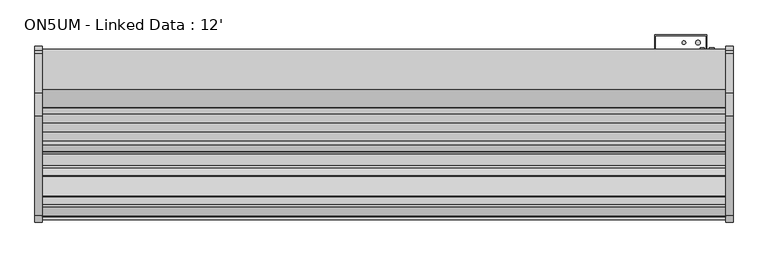
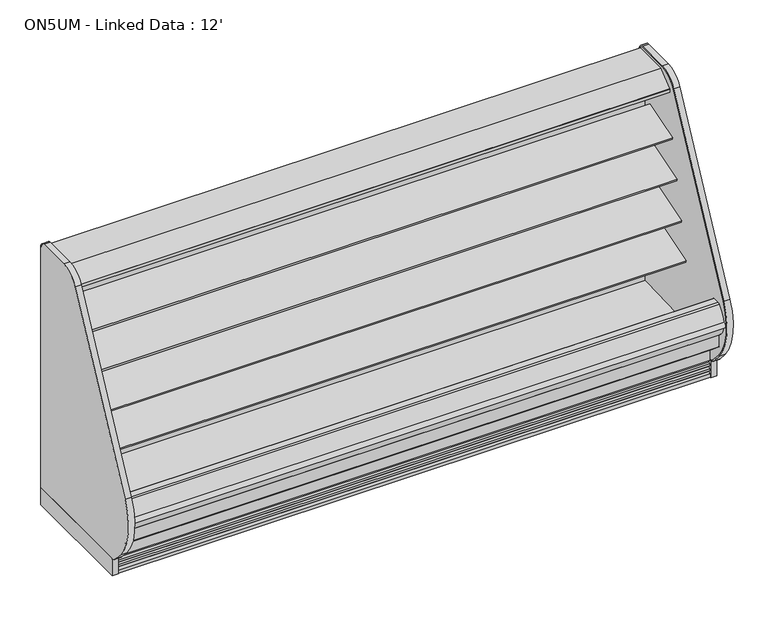
"""IFC4 building model written with IfcOpenShell, lengths in millimetres: proxy geometry, ON5UM - Linked Data : 12'."""

from ifc_helpers import new_model, si_unit, point, frame, frame_2d, origin, origin_with_axes, place, context, project, spatial, polyline, circle_curve, trimmed, segment, composite_curve, outline, extrude, source, transform, mapped, element, save
from ifc_brep_helpers import plane_surface, cylinder_surface, revolved_surface, advanced_brep


def on5um_linked_data_12_cfcded39(model_context):
    return source(origin(), model_context, "Body", "SolidModel", [
        extrude(outline(composite_curve([segment(polyline([(-386.2893812, 1680.5112406), (-386.2893812, 114.3), (-1152.4160029, 114.3), (-1152.4160029, 109.4814209)]), True, "CONTINUOUS"), segment(trimmed(circle_curve(frame_2d((-1137.0030162, 174.3506772)), 66.6751871), [point((-1152.4160029, 109.4814209))], [point((-1188.0213353, 131.4238594))], False, "CARTESIAN"), True, "CONTINUOUS"), segment(polyline([(-1188.0213353, 131.4238594), (-1241.1522033, 191.7701108)]), True, "CONTINUOUS"), segment(trimmed(circle_curve(frame_2d((-969.519668, 423.7103658)), 357.1841488), [point((-1241.1522033, 191.7701108))], [point((-1289.7288766, 581.9714755))], False, "CARTESIAN"), True, "CONTINUOUS"), segment(trimmed(circle_curve(frame_2d((9141.921087, -3966.5313645)), 11380.1669166), [point((-1289.7288766, 581.9714755))], [point((-757.6298618, 1646.586313))], False, "CARTESIAN"), True, "CONTINUOUS"), segment(trimmed(circle_curve(frame_2d((-626.9237334, 1572.4749838)), 150.2550535), [point((-757.6298618, 1646.586313))], [point((-633.7326134, 1722.5756842))], False, "CARTESIAN"), True, "CONTINUOUS"), segment(polyline([(-633.7326134, 1722.5756842), (-424.7661122, 1722.5756842)]), True, "CONTINUOUS"), segment(trimmed(circle_curve(frame_2d((-424.7661122, 1689.095884)), 33.4798002), [point((-424.7661122, 1722.5756842))], [point((-408.2318186, 1718.2079804))], False, "CARTESIAN"), True, "CONTINUOUS"), segment(trimmed(circle_curve(frame_2d((-429.6417835, 1680.5112406)), 43.3524023), [point((-408.2318186, 1718.2079804))], [point((-386.2893812, 1680.5112406))], False, "CARTESIAN"), True, "CONTINUOUS")], self_intersect=False)), frame((-38.1, 0.0, 0.0), z_axis=(1.0, 0.0, 0.0), x_axis=(0.0, 1.0, 0.0)), (0.0, 0.0, 1.0), 38.1),
        advanced_brep(
        [(-38.1, -1238.2478592, 197.2583924), (-38.1, -1170.0712436, 125.1554313), (-38.1, -1152.4994478, 116.8957338), (-38.1, -1152.4994478, 109.4924604), (-38.1, -1188.0465066, 131.4150415), (-38.1, -1241.1522033, 191.7701108), (-38.1, -1289.7288766, 581.9714755), (-38.1, -757.6298618, 1646.586313), (-38.1, -633.7326134, 1722.5756842), (-38.1, -424.7661122, 1722.5756842), (-38.1, -408.2318186, 1718.2079804), (-38.1, -386.2893812, 1680.5112406), (-38.1, -386.2893812, 114.3), (-38.1, -392.6393812, 114.3), (-38.1, -392.6393812, 1680.5112406), (-38.1, -411.3678219, 1712.6863879), (-38.1, -424.7661122, 1716.2256842), (-38.1, -633.5871081, 1716.2256842), (-38.1, -752.1060282, 1643.454259), (-38.1, -1283.943801, 579.3516742), (0.0, -1238.2478594, 197.2583922), (0.0, -1283.943801, 579.3516742), (0.0, -752.1060287, 1643.4542593), (0.0, -633.5871081, 1716.2256842), (0.0, -424.7661122, 1716.2256842), (0.0, -411.3678219, 1712.6863879), (0.0, -392.6393812, 1680.5112406), (0.0, -392.6393812, 114.3), (0.0, -386.2893812, 114.3), (0.0, -386.2893812, 1680.5112406), (0.0, -408.2318186, 1718.2079804), (0.0, -424.7661122, 1722.5756842), (0.0, -633.7326134, 1722.5756842), (0.0, -757.6298618, 1646.586313), (0.0, -1289.7288766, 581.9714755), (0.0, -1241.1522033, 191.7701108), (0.0, -1188.0465066, 131.4150415), (0.0, -1152.4994478, 109.4924604), (0.0, -1152.4994478, 116.8957338), (0.0, -1170.0712436, 125.1554313)],
        [
            (0, 1, circle_curve(frame((-38.1, -594.5520699, 737.618397), z_axis=(1.0, 0.0, 0.0), x_axis=(0.0, 1.0, 0.0)), 840.4363174)),
            (1, 2, circle_curve(frame((-38.1, -1137.362761, 171.9188236), z_axis=(1.0, 0.0, 0.0), x_axis=(0.0, 1.0, 0.0)), 57.0671508)),
            (2, 3),
            (3, 4, circle_curve(frame((-38.1, -1137.0350365, 174.3484557), z_axis=(-1.0, 0.0, 0.0), x_axis=(0.0, 1.0, 0.0)), 66.674194)),
            (4, 5),
            (5, 6, circle_curve(frame((-38.1, -969.519668, 423.7103658), z_axis=(-1.0, 0.0, 0.0), x_axis=(0.0, 1.0, 0.0)), 357.1841488)),
            (6, 7, circle_curve(frame((-38.1, 9141.921087, -3966.5313645), z_axis=(-1.0, 0.0, 0.0), x_axis=(0.0, 1.0, 0.0)), 11380.1669166)),
            (7, 8, circle_curve(frame((-38.1, -626.9237334, 1572.4749838), z_axis=(-1.0, 0.0, 0.0), x_axis=(0.0, 1.0, 0.0)), 150.2550535)),
            (8, 9),
            (9, 10, circle_curve(frame((-38.1, -424.7661122, 1689.095884), z_axis=(-1.0, 0.0, 0.0), x_axis=(0.0, 1.0, 0.0)), 33.4798002)),
            (10, 11, circle_curve(frame((-38.1, -429.6417835, 1680.5112406), z_axis=(-1.0, 0.0, 0.0), x_axis=(0.0, 1.0, 0.0)), 43.3524023)),
            (11, 12),
            (12, 13),
            (13, 14),
            (14, 15, circle_curve(frame((-38.1, -429.6417835, 1680.5112406), z_axis=(1.0, 0.0, 0.0), x_axis=(0.0, 1.0, 0.0)), 37.0024023)),
            (15, 16, circle_curve(frame((-38.1, -424.7661122, 1689.095884), z_axis=(1.0, 0.0, 0.0), x_axis=(0.0, 1.0, 0.0)), 27.1298002)),
            (16, 17),
            (17, 18, circle_curve(frame((-38.1, -626.9237334, 1572.4749838), z_axis=(1.0, 0.0, 0.0), x_axis=(0.0, 1.0, 0.0)), 143.9050535)),
            (18, 19, circle_curve(frame((-38.1, 9141.921087, -3966.5313645), z_axis=(1.0, 0.0, 0.0), x_axis=(0.0, 1.0, 0.0)), 11373.8169172)),
            (19, 0, circle_curve(frame((-38.1, -969.0620447, 423.2304283), z_axis=(1.0, 0.0, 0.0), x_axis=(0.0, 1.0, 0.0)), 351.4603305)),
            (20, 21, circle_curve(frame((0.0, -969.0620447, 423.2304283), z_axis=(-1.0, 0.0, 0.0), x_axis=(0.0, 1.0, 0.0)), 351.4603305)),
            (21, 22, circle_curve(frame((0.0, 9141.921087, -3966.5313645), z_axis=(-1.0, 0.0, 0.0), x_axis=(0.0, 1.0, 0.0)), 11373.8169172)),
            (22, 23, circle_curve(frame((0.0, -626.9237334, 1572.4749838), z_axis=(-1.0, 0.0, 0.0), x_axis=(0.0, 1.0, 0.0)), 143.9050535)),
            (23, 24),
            (24, 25, circle_curve(frame((0.0, -424.7661122, 1689.095884), z_axis=(-1.0, 0.0, 0.0), x_axis=(0.0, 1.0, 0.0)), 27.1298002)),
            (25, 26, circle_curve(frame((0.0, -429.6417835, 1680.5112406), z_axis=(-1.0, 0.0, 0.0), x_axis=(0.0, 1.0, 0.0)), 37.0024023)),
            (26, 27),
            (27, 28),
            (28, 29),
            (29, 30, circle_curve(frame((0.0, -429.6417835, 1680.5112406), z_axis=(1.0, 0.0, 0.0), x_axis=(0.0, 1.0, 0.0)), 43.3524023)),
            (30, 31, circle_curve(frame((0.0, -424.7661122, 1689.095884), z_axis=(1.0, 0.0, 0.0), x_axis=(0.0, 1.0, 0.0)), 33.4798002)),
            (31, 32),
            (32, 33, circle_curve(frame((0.0, -626.9237334, 1572.4749838), z_axis=(1.0, 0.0, 0.0), x_axis=(0.0, 1.0, 0.0)), 150.2550535)),
            (33, 34, circle_curve(frame((0.0, 9141.921087, -3966.5313645), z_axis=(1.0, 0.0, 0.0), x_axis=(0.0, 1.0, 0.0)), 11380.1669166)),
            (34, 35, circle_curve(frame((0.0, -969.519668, 423.7103658), z_axis=(1.0, 0.0, 0.0), x_axis=(0.0, 1.0, 0.0)), 357.1841488)),
            (35, 36),
            (36, 37, circle_curve(frame((0.0, -1137.0350365, 174.3484557), z_axis=(1.0, 0.0, 0.0), x_axis=(0.0, 1.0, 0.0)), 66.674194)),
            (37, 38),
            (38, 39, circle_curve(frame((0.0, -1137.362761, 171.9188236), z_axis=(-1.0, 0.0, 0.0), x_axis=(0.0, 1.0, 0.0)), 57.0671508)),
            (39, 20, circle_curve(frame((0.0, -594.5520699, 737.618397), z_axis=(-1.0, 0.0, 0.0), x_axis=(0.0, 1.0, 0.0)), 840.4363174)),
            (20, 0),
            (19, 21),
            (18, 22),
            (17, 23),
            (16, 24),
            (25, 15),
            (14, 26),
            (13, 27),
            (12, 28),
            (11, 29),
            (10, 30),
            (31, 9),
            (8, 32),
            (7, 33),
            (6, 34),
            (5, 35),
            (4, 36),
            (3, 37),
            (2, 38),
            (1, 39),
        ],
        [
            plane_surface(frame((-38.1, -617.6017141, 423.2304283), z_axis=(-1.0, 0.0, 0.0), x_axis=(0.0, 0.0, 1.0))),
            plane_surface(frame((0.0, -617.6017141, 423.2304283), z_axis=(1.0, 0.0, 0.0), x_axis=(0.0, 0.0, -1.0))),
            revolved_surface(polyline([(-38.1, -617.6017142000001, 423.2304283), (0.0, -617.6017142000001, 423.2304283)]), (-38.1, -969.0620447, 423.2304283), (-1.0, 0.0, 0.0)),
            revolved_surface(polyline([(-38.1, 20515.7380042, -3966.5313645), (0.0, 20515.7380042, -3966.5313645)]), (-38.1, 9141.921087, -3966.5313645), (-1.0, 0.0, 0.0)),
            revolved_surface(polyline([(-38.1, -483.01867989999994, 1572.4749838), (0.0, -483.01867989999994, 1572.4749838)]), (-38.1, -626.9237334, 1572.4749838), (-1.0, 0.0, 0.0)),
            plane_surface(frame((0.0, -633.5871081, 1716.2256842), z_axis=(0.0, 0.0, -1.0), x_axis=(-1.0, 0.0, 0.0))),
            revolved_surface(polyline([(-38.1, -392.6393812, 1680.5112406), (0.0, -392.6393812, 1680.5112406)]), (-38.1, -429.6417835, 1680.5112406), (-1.0, 0.0, 0.0)),
            plane_surface(frame((0.0, -392.6393812, 1680.5112406), z_axis=(0.0, -1.0, 0.0), x_axis=(-1.0, 0.0, 0.0))),
            plane_surface(frame((0.0, -392.6393812, 114.3), z_axis=(0.0, 0.0, -1.0), x_axis=(-1.0, 0.0, 0.0))),
            plane_surface(frame((0.0, -386.2893812, 114.3), z_axis=(0.0, 1.0, 0.0), x_axis=(-1.0, 0.0, 0.0))),
            cylinder_surface(frame((-38.1, -429.6417835, 1680.5112406), z_axis=(1.0, 0.0, 0.0), x_axis=(0.0, 1.0, 0.0)), 43.3524023),
            plane_surface(frame((0.0, -424.7661122, 1722.5756842), z_axis=(0.0, 0.0, 1.0), x_axis=(-1.0, 0.0, 0.0))),
            cylinder_surface(frame((-38.1, -626.9237334, 1572.4749838), z_axis=(1.0, 0.0, 0.0), x_axis=(0.0, 1.0, 0.0)), 150.2550535),
            cylinder_surface(frame((-38.1, 9141.921087, -3966.5313645), z_axis=(1.0, 0.0, 0.0), x_axis=(0.0, 1.0, 0.0)), 11380.1669166),
            cylinder_surface(frame((-38.1, -969.519668, 423.7103658), z_axis=(1.0, 0.0, 0.0), x_axis=(0.0, 1.0, 0.0)), 357.1841488),
            plane_surface(frame((0.0, -1241.1522033, 191.7701108), z_axis=(0.0, -0.7507552443600822, -0.6605804743298377), x_axis=(-1.0, 0.0, 0.0))),
            cylinder_surface(frame((-38.1, -1137.0350365, 174.3484557), z_axis=(1.0, 0.0, 0.0), x_axis=(0.0, 1.0, 0.0)), 66.674194),
            plane_surface(frame((0.0, -1152.4994478, 109.4924604), z_axis=(0.0, 1.0, 0.0), x_axis=(-1.0, 0.0, 0.0))),
            revolved_surface(polyline([(-38.1, -1080.2956102, 171.9188236), (0.0, -1080.2956102, 171.9188236)]), (-38.1, -1137.362761, 171.9188236), (-1.0, 0.0, 0.0)),
            revolved_surface(polyline([(-38.1, 245.88424750000001, 737.618397), (0.0, 245.88424750000001, 737.618397)]), (-38.1, -594.5520699, 737.618397), (-1.0, 0.0, 0.0)),
            revolved_surface(polyline([(-38.1, -397.63631200000003, 1689.095884), (0.0, -397.63631200000003, 1689.095884)]), (-38.1, -424.7661122, 1689.095884), (-1.0, 0.0, 0.0)),
            cylinder_surface(frame((-38.1, -424.7661122, 1689.095884), z_axis=(1.0, 0.0, 0.0), x_axis=(0.0, 1.0, 0.0)), 33.4798002),
        ],
        [
            (0, [[1, 2, 3, 4, 5, 6, 7, 8, 9, 10, 11, 12, 13, 14, 15, 16, 17, 18, 19, 20]]),
            (1, [[21, 22, 23, 24, 25, 26, 27, 28, 29, 30, 31, 32, 33, 34, 35, 36, 37, 38, 39, 40]]),
            (2, [[-21, 41, -20, 42]]),
            (3, [[-22, -42, -19, 43]]),
            (4, [[-23, -43, -18, 44]]),
            (5, [[-24, -44, -17, 45]]),
            (6, [[-26, 46, -15, 47]]),
            (7, [[-27, -47, -14, 48]]),
            (8, [[-28, -48, -13, 49]]),
            (9, [[-29, -49, -12, 50]]),
            (10, [[-30, -50, -11, 51]]),
            (11, [[-32, 52, -9, 53]]),
            (12, [[-33, -53, -8, 54]]),
            (13, [[-34, -54, -7, 55]]),
            (14, [[-35, -55, -6, 56]]),
            (15, [[-36, -56, -5, 57]]),
            (16, [[-37, -57, -4, 58]]),
            (17, [[-38, -58, -3, 59]]),
            (18, [[-39, -59, -2, 60]]),
            (19, [[-40, -60, -1, -41]]),
            (20, [[-25, -45, -16, -46]]),
            (21, [[-31, -51, -10, -52]]),
        ],
    ),
        advanced_brep(
        [(3657.6, -392.6393812, 114.3), (3657.6, -392.6393812, 1680.5112406), (3657.6, -411.3678219, 1712.6863879), (3657.6, -424.7661122, 1716.2256842), (3657.6, -633.5871081, 1716.2256842), (3657.6, -752.1060282, 1643.454259), (3657.6, -1283.943801, 579.3516742), (3657.6, -1238.2478594, 197.2583922), (3657.6, -1170.0712436, 125.1554313), (3657.6, -1152.4994478, 116.8957338), (3657.6, -1152.4994478, 109.4924604), (3657.6, -1188.0465066, 131.4150415), (3657.6, -1241.1522033, 191.7701108), (3657.6, -1289.7288766, 581.9714755), (3657.6, -757.6298618, 1646.586313), (3657.6, -633.7326134, 1722.5756842), (3657.6, -424.7661122, 1722.5756842), (3657.6, -408.2318186, 1718.2079804), (3657.6, -386.2893812, 1680.5112406), (3657.6, -386.2893812, 114.3), (3695.7, -392.6393812, 114.3), (3695.7, -386.2893812, 114.3), (3695.7, -386.2893812, 1680.5112406), (3695.7, -408.2318186, 1718.2079804), (3695.7, -424.7661122, 1722.5756842), (3695.7, -633.7326134, 1722.5756842), (3695.7, -757.6298618, 1646.586313), (3695.7, -1289.7288766, 581.9714755), (3695.7, -1241.1522033, 191.7701108), (3695.7, -1188.0465066, 131.4150415), (3695.7, -1152.4994478, 109.4924604), (3695.7, -1152.4994478, 116.8957338), (3695.7, -1170.0712436, 125.1554313), (3695.7, -1238.2478592, 197.2583924), (3695.7, -1283.943801, 579.3516742), (3695.7, -752.1060287, 1643.4542593), (3695.7, -633.5871081, 1716.2256842), (3695.7, -424.7661122, 1716.2256842), (3695.7, -411.3678219, 1712.6863879), (3695.7, -392.6393812, 1680.5112406)],
        [
            (0, 1),
            (1, 2, circle_curve(frame((3657.6, -429.6417835, 1680.5112406), z_axis=(1.0, 0.0, 0.0), x_axis=(0.0, 1.0, 0.0)), 37.0024023)),
            (2, 3, circle_curve(frame((3657.6, -424.7661122, 1689.095884), z_axis=(1.0, 0.0, 0.0), x_axis=(0.0, 1.0, 0.0)), 27.1298002)),
            (3, 4),
            (4, 5, circle_curve(frame((3657.6, -626.9237334, 1572.4749838), z_axis=(1.0, 0.0, 0.0), x_axis=(0.0, 1.0, 0.0)), 143.9050535)),
            (5, 6, circle_curve(frame((3657.6, 9141.921087, -3966.5313645), z_axis=(1.0, 0.0, 0.0), x_axis=(0.0, 1.0, 0.0)), 11373.8169172)),
            (6, 7, circle_curve(frame((3657.6, -969.0620447, 423.2304283), z_axis=(1.0, 0.0, 0.0), x_axis=(0.0, 1.0, 0.0)), 351.4603305)),
            (7, 8, circle_curve(frame((3657.6, -594.5520699, 737.618397), z_axis=(1.0, 0.0, 0.0), x_axis=(0.0, 1.0, 0.0)), 840.4363174)),
            (8, 9, circle_curve(frame((3657.6, -1137.362761, 171.9188236), z_axis=(1.0, 0.0, 0.0), x_axis=(0.0, 1.0, 0.0)), 57.0671508)),
            (9, 10),
            (10, 11, circle_curve(frame((3657.6, -1137.0350365, 174.3484557), z_axis=(-1.0, 0.0, 0.0), x_axis=(0.0, 1.0, 0.0)), 66.674194)),
            (11, 12),
            (12, 13, circle_curve(frame((3657.6, -969.519668, 423.7103658), z_axis=(-1.0, 0.0, 0.0), x_axis=(0.0, 1.0, 0.0)), 357.1841488)),
            (13, 14, circle_curve(frame((3657.6, 9141.921087, -3966.5313645), z_axis=(-1.0, 0.0, 0.0), x_axis=(0.0, 1.0, 0.0)), 11380.1669166)),
            (14, 15, circle_curve(frame((3657.6, -626.9237334, 1572.4749838), z_axis=(-1.0, 0.0, 0.0), x_axis=(0.0, 1.0, 0.0)), 150.2550535)),
            (15, 16),
            (16, 17, circle_curve(frame((3657.6, -424.7661122, 1689.095884), z_axis=(-1.0, 0.0, 0.0), x_axis=(0.0, 1.0, 0.0)), 33.4798002)),
            (17, 18, circle_curve(frame((3657.6, -429.6417835, 1680.5112406), z_axis=(-1.0, 0.0, 0.0), x_axis=(0.0, 1.0, 0.0)), 43.3524023)),
            (18, 19),
            (19, 0),
            (20, 21),
            (21, 22),
            (22, 23, circle_curve(frame((3695.7, -429.6417835, 1680.5112406), z_axis=(1.0, 0.0, 0.0), x_axis=(0.0, 1.0, 0.0)), 43.3524023)),
            (23, 24, circle_curve(frame((3695.7, -424.7661122, 1689.095884), z_axis=(1.0, 0.0, 0.0), x_axis=(0.0, 1.0, 0.0)), 33.4798002)),
            (24, 25),
            (25, 26, circle_curve(frame((3695.7, -626.9237334, 1572.4749838), z_axis=(1.0, 0.0, 0.0), x_axis=(0.0, 1.0, 0.0)), 150.2550535)),
            (26, 27, circle_curve(frame((3695.7, 9141.921087, -3966.5313645), z_axis=(1.0, 0.0, 0.0), x_axis=(0.0, 1.0, 0.0)), 11380.1669166)),
            (27, 28, circle_curve(frame((3695.7, -969.519668, 423.7103658), z_axis=(1.0, 0.0, 0.0), x_axis=(0.0, 1.0, 0.0)), 357.1841488)),
            (28, 29),
            (29, 30, circle_curve(frame((3695.7, -1137.0350365, 174.3484557), z_axis=(1.0, 0.0, 0.0), x_axis=(0.0, 1.0, 0.0)), 66.674194)),
            (30, 31),
            (31, 32, circle_curve(frame((3695.7, -1137.362761, 171.9188236), z_axis=(-1.0, 0.0, 0.0), x_axis=(0.0, 1.0, 0.0)), 57.0671508)),
            (32, 33, circle_curve(frame((3695.7, -594.5520699, 737.618397), z_axis=(-1.0, 0.0, 0.0), x_axis=(0.0, 1.0, 0.0)), 840.4363174)),
            (33, 34, circle_curve(frame((3695.7, -969.0620447, 423.2304283), z_axis=(-1.0, 0.0, 0.0), x_axis=(0.0, 1.0, 0.0)), 351.4603305)),
            (34, 35, circle_curve(frame((3695.7, 9141.921087, -3966.5313645), z_axis=(-1.0, 0.0, 0.0), x_axis=(0.0, 1.0, 0.0)), 11373.8169172)),
            (35, 36, circle_curve(frame((3695.7, -626.9237334, 1572.4749838), z_axis=(-1.0, 0.0, 0.0), x_axis=(0.0, 1.0, 0.0)), 143.9050535)),
            (36, 37),
            (37, 38, circle_curve(frame((3695.7, -424.7661122, 1689.095884), z_axis=(-1.0, 0.0, 0.0), x_axis=(0.0, 1.0, 0.0)), 27.1298002)),
            (38, 39, circle_curve(frame((3695.7, -429.6417835, 1680.5112406), z_axis=(-1.0, 0.0, 0.0), x_axis=(0.0, 1.0, 0.0)), 37.0024023)),
            (39, 20),
            (20, 0),
            (19, 21),
            (18, 22),
            (24, 16),
            (15, 25),
            (14, 26),
            (13, 27),
            (12, 28),
            (11, 29),
            (10, 30),
            (9, 31),
            (8, 32),
            (7, 33),
            (6, 34),
            (5, 35),
            (4, 36),
            (3, 37),
            (39, 1),
            (17, 23),
            (2, 38),
        ],
        [
            plane_surface(frame((3657.6, -417.3839273, 114.3), z_axis=(-1.0, 0.0, 0.0), x_axis=(0.0, -1.0, 0.0))),
            plane_surface(frame((3695.7, -417.3839273, 114.3), z_axis=(1.0, 0.0, 0.0), x_axis=(0.0, 1.0, 0.0))),
            plane_surface(frame((3695.7, -392.6393812, 114.3), z_axis=(0.0, 0.0, -1.0), x_axis=(-1.0, 0.0, 0.0))),
            plane_surface(frame((3695.7, -386.2893812, 114.3), z_axis=(0.0, 1.0, 0.0), x_axis=(-1.0, 0.0, 0.0))),
            plane_surface(frame((3695.7, -424.7661122, 1722.5756842), z_axis=(0.0, 0.0, 1.0), x_axis=(-1.0, 0.0, 0.0))),
            cylinder_surface(frame((3657.6, -626.9237334, 1572.4749838), z_axis=(1.0, 0.0, 0.0), x_axis=(0.0, 1.0, 0.0)), 150.2550535),
            cylinder_surface(frame((3657.6, 9141.921087, -3966.5313645), z_axis=(1.0, 0.0, 0.0), x_axis=(0.0, 1.0, 0.0)), 11380.1669166),
            cylinder_surface(frame((3657.6, -969.519668, 423.7103658), z_axis=(1.0, 0.0, 0.0), x_axis=(0.0, 1.0, 0.0)), 357.1841488),
            plane_surface(frame((3695.7, -1241.1522033, 191.7701108), z_axis=(0.0, -0.750755244360021, -0.6605804743299073), x_axis=(-1.0, 0.0, 0.0))),
            cylinder_surface(frame((3657.6, -1137.0350365, 174.3484557), z_axis=(1.0, 0.0, 0.0), x_axis=(0.0, 1.0, 0.0)), 66.674194),
            plane_surface(frame((3695.7, -1152.4994478, 109.4924604), z_axis=(0.0, 1.0, 0.0), x_axis=(-1.0, 0.0, 0.0))),
            revolved_surface(polyline([(3657.6, -1080.2956102, 171.9188236), (3695.7, -1080.2956102, 171.9188236)]), (3657.6, -1137.362761, 171.9188236), (-1.0, 0.0, 0.0)),
            revolved_surface(polyline([(3657.6, 245.88424750000001, 737.618397), (3695.7, 245.88424750000001, 737.618397)]), (3657.6, -594.5520699, 737.618397), (-1.0, 0.0, 0.0)),
            revolved_surface(polyline([(3657.6, -617.6017142000001, 423.2304283), (3695.7, -617.6017142000001, 423.2304283)]), (3657.6, -969.0620447, 423.2304283), (-1.0, 0.0, 0.0)),
            revolved_surface(polyline([(3657.6, 20515.7380042, -3966.5313645), (3695.7, 20515.7380042, -3966.5313645)]), (3657.6, 9141.921087, -3966.5313645), (-1.0, 0.0, 0.0)),
            revolved_surface(polyline([(3657.6, -483.01867989999994, 1572.4749838), (3695.7, -483.01867989999994, 1572.4749838)]), (3657.6, -626.9237334, 1572.4749838), (-1.0, 0.0, 0.0)),
            plane_surface(frame((3695.7, -633.5871081, 1716.2256842), z_axis=(0.0, 0.0, -1.0), x_axis=(-1.0, 0.0, 0.0))),
            plane_surface(frame((3695.7, -392.6393812, 1680.5112406), z_axis=(0.0, -1.0, 0.0), x_axis=(-1.0, 0.0, 0.0))),
            cylinder_surface(frame((3657.6, -429.6417835, 1680.5112406), z_axis=(1.0, 0.0, 0.0), x_axis=(0.0, 1.0, 0.0)), 43.3524023),
            cylinder_surface(frame((3657.6, -424.7661122, 1689.095884), z_axis=(1.0, 0.0, 0.0), x_axis=(0.0, 1.0, 0.0)), 33.4798002),
            revolved_surface(polyline([(3657.6, -397.63631200000003, 1689.095884), (3695.7, -397.63631200000003, 1689.095884)]), (3657.6, -424.7661122, 1689.095884), (-1.0, 0.0, 0.0)),
            revolved_surface(polyline([(3657.6, -392.6393812, 1680.5112406), (3695.7, -392.6393812, 1680.5112406)]), (3657.6, -429.6417835, 1680.5112406), (-1.0, 0.0, 0.0)),
        ],
        [
            (0, [[1, 2, 3, 4, 5, 6, 7, 8, 9, 10, 11, 12, 13, 14, 15, 16, 17, 18, 19, 20]]),
            (1, [[21, 22, 23, 24, 25, 26, 27, 28, 29, 30, 31, 32, 33, 34, 35, 36, 37, 38, 39, 40]]),
            (2, [[-21, 41, -20, 42]]),
            (3, [[-22, -42, -19, 43]]),
            (4, [[-25, 44, -16, 45]]),
            (5, [[-26, -45, -15, 46]]),
            (6, [[-27, -46, -14, 47]]),
            (7, [[-28, -47, -13, 48]]),
            (8, [[-29, -48, -12, 49]]),
            (9, [[-30, -49, -11, 50]]),
            (10, [[-31, -50, -10, 51]]),
            (11, [[-32, -51, -9, 52]]),
            (12, [[-33, -52, -8, 53]]),
            (13, [[-34, -53, -7, 54]]),
            (14, [[-35, -54, -6, 55]]),
            (15, [[-36, -55, -5, 56]]),
            (16, [[-37, -56, -4, 57]]),
            (17, [[-40, 58, -1, -41]]),
            (18, [[-23, -43, -18, 59]]),
            (19, [[-24, -59, -17, -44]]),
            (20, [[-38, -57, -3, 60]]),
            (21, [[-39, -60, -2, -58]]),
        ],
    ),
        extrude(outline(composite_curve([segment(polyline([(-1152.4160029, 114.3), (-1152.4160029, 109.4814209)]), True, "CONTINUOUS"), segment(trimmed(circle_curve(frame_2d((-1137.0030162, 174.3506772)), 66.6751871), [point((-1152.4160029, 109.4814209))], [point((-1188.0213353, 131.4238594))], False, "CARTESIAN"), True, "CONTINUOUS"), segment(polyline([(-1188.0213353, 131.4238594), (-1241.1522033, 191.7701108)]), True, "CONTINUOUS"), segment(trimmed(circle_curve(frame_2d((-969.519668, 423.7103658)), 357.1841488), [point((-1241.1522033, 191.7701108))], [point((-1289.7288766, 581.9714755))], False, "CARTESIAN"), True, "CONTINUOUS"), segment(trimmed(circle_curve(frame_2d((9141.921087, -3966.5313645)), 11380.1669166), [point((-1289.7288766, 581.9714755))], [point((-757.6298618, 1646.586313))], False, "CARTESIAN"), True, "CONTINUOUS"), segment(trimmed(circle_curve(frame_2d((-626.9237334, 1572.4749838)), 150.2550535), [point((-757.6298618, 1646.586313))], [point((-633.7326134, 1722.5756842))], False, "CARTESIAN"), True, "CONTINUOUS"), segment(polyline([(-633.7326134, 1722.5756842), (-424.7661122, 1722.5756842)]), True, "CONTINUOUS"), segment(trimmed(circle_curve(frame_2d((-424.7661122, 1689.095884)), 33.4798002), [point((-424.7661122, 1722.5756842))], [point((-408.2318186, 1718.2079804))], False, "CARTESIAN"), True, "CONTINUOUS"), segment(trimmed(circle_curve(frame_2d((-429.6417835, 1680.5112406)), 43.3524023), [point((-408.2318186, 1718.2079804))], [point((-386.2893812, 1680.5112406))], False, "CARTESIAN"), True, "CONTINUOUS"), segment(polyline([(-386.2893812, 1680.5112406), (-386.2893812, 114.3), (-1152.4160029, 114.3)]), True, "CONTINUOUS")], self_intersect=False)), frame((3657.6, 0.0, 0.0), z_axis=(1.0, 0.0, 0.0), x_axis=(0.0, 1.0, 0.0)), (0.0, 0.0, 1.0), 38.1),
        extrude(outline(polyline([(3695.7, -385.6339273), (3695.7, -1152.4160029), (3657.6, -1152.4160029), (3657.6, -385.6339273), (3695.7, -385.6339273)])), origin_with_axes(), (0.0, 0.0, 1.0), 114.3),
        extrude(outline(composite_curve([segment(polyline([(-514.5457224, 1615.7605838), (-504.8382084, 1618.7588787), (-504.5715038, 1617.8953752), (-503.5043326, 1617.8953752), (-503.5043326, 1524.1310435), (-528.7995468, 1520.5782473)]), True, "CONTINUOUS"), segment(trimmed(circle_curve(frame_2d((-528.9394297, 1522.1519225)), 1.57988), [point((-528.7995468, 1520.5782473))], [point((-530.5039344, 1521.9320457))], False, "CARTESIAN"), True, "CONTINUOUS"), segment(polyline([(-530.5039344, 1521.9320457), (-531.3887441, 1528.2277938), (-530.6039765, 1528.3380857), (-529.6095819, 1521.2626005), (-506.0288235, 1524.57666), (-520.1248622, 1624.875187), (-542.8854436, 1621.8528314)]), True, "CONTINUOUS"), segment(trimmed(circle_curve(frame_2d((-542.7817953, 1621.072283)), 0.7874), [point((-542.8854436, 1621.8528314))], [point((-543.5623437, 1620.9686347))], True, "CARTESIAN"), True, "CONTINUOUS"), segment(polyline([(-543.5623437, 1620.9686347), (-542.5392347, 1613.2638646), (-543.3197834, 1613.1602184), (-544.3428921, 1620.8649865)]), True, "CONTINUOUS"), segment(trimmed(circle_curve(frame_2d((-542.7817953, 1621.072283)), 1.5748), [point((-544.3428921, 1620.8649865))], [point((-542.9890919, 1622.6333798))], False, "CARTESIAN"), True, "CONTINUOUS"), segment(polyline([(-542.9890919, 1622.6333798), (-519.0246807, 1625.8155909)]), True, "CONTINUOUS"), segment(trimmed(circle_curve(frame_2d((-518.8173842, 1624.2544941)), 1.5748), [point((-519.0246807, 1625.8155909))], [point((-517.3127195, 1624.7192298))], False, "CARTESIAN"), True, "CONTINUOUS"), segment(polyline([(-517.3127195, 1624.7192298), (-514.5457224, 1615.7605838)]), True, "CONTINUOUS")], self_intersect=False)), frame((0.0, 0.0, 0.0), z_axis=(1.0, 0.0, 0.0), x_axis=(0.0, 1.0, 0.0)), (0.0, 0.0, 1.0), 3657.6),
        extrude(outline(polyline([(-401.5362454, 1697.0375), (-401.5362454, 1650.6095648), (-452.3362454, 1650.6095648), (-452.3362454, 1617.8953752), (-504.5715038, 1617.8953752), (-506.6507529, 1624.6273143), (-511.4451991, 1623.1464857), (-535.5152392, 1651.8320425), (-642.283557, 1651.8320425), (-643.121757, 1650.9938425), (-643.121757, 1639.8686425), (-643.6798466, 1638.6898324), (-688.3176895, 1602.1138324), (-689.2835999, 1601.7686425), (-700.780223, 1601.7686425), (-700.780223, 1599.8368669), (-715.8942413, 1599.8368669), (-715.8942413, 1618.1058169), (-715.3010798, 1619.3494059), (-619.3642733, 1697.0375), (-401.5362454, 1697.0375)])), frame((0.0, 0.0, 0.0), z_axis=(1.0, 0.0, 0.0), x_axis=(0.0, 1.0, 0.0)), (0.0, 0.0, 1.0), 3657.6),
        extrude(outline(composite_curve([segment(polyline([(-506.0288235, 1524.57666), (-529.6095819, 1521.2626005), (-530.6039765, 1528.3380857), (-542.5344107, 1613.2275359), (-543.5623437, 1620.9686347)]), True, "CONTINUOUS"), segment(trimmed(circle_curve(frame_2d((-542.7817953, 1621.072283)), 0.7874), [point((-543.5623437, 1620.9686347))], [point((-542.8854436, 1621.8528314))], False, "CARTESIAN"), True, "CONTINUOUS"), segment(polyline([(-542.8854436, 1621.8528314), (-520.1248622, 1624.875187), (-506.0288235, 1524.57666)]), True, "CONTINUOUS")], self_intersect=False)), frame((0.0, 0.0, 0.0), z_axis=(1.0, 0.0, 0.0), x_axis=(0.0, 1.0, 0.0)), (0.0, 0.0, 1.0), 3657.6),
        extrude(outline(composite_curve([segment(trimmed(circle_curve(frame_2d((-586.8588534, 1611.5018376)), 14.2875), [point((-601.1463534, 1611.5018376))], [point((-572.5713534, 1611.5018376))], False, "CARTESIAN"), True, "CONTINUOUS"), segment(trimmed(circle_curve(frame_2d((-586.8588534, 1611.5018376)), 14.2875), [point((-572.5713534, 1611.5018376))], [point((-601.1463534, 1611.5018376))], False, "CARTESIAN"), True, "CONTINUOUS")], self_intersect=False)), frame((0.0, 0.0, 0.0), z_axis=(1.0, 0.0, 0.0), x_axis=(0.0, 1.0, 0.0)), (0.0, 0.0, 1.0), 3657.6),
        extrude(outline(composite_curve([segment(trimmed(circle_curve(frame_2d((-624.2476534, 1611.5018376)), 14.2875), [point((-638.5351534, 1611.5018376))], [point((-609.9601534, 1611.5018376))], False, "CARTESIAN"), True, "CONTINUOUS"), segment(trimmed(circle_curve(frame_2d((-624.2476534, 1611.5018376)), 14.2875), [point((-609.9601534, 1611.5018376))], [point((-638.5351534, 1611.5018376))], False, "CARTESIAN"), True, "CONTINUOUS")], self_intersect=False)), frame((0.0, 0.0, 0.0), z_axis=(1.0, 0.0, 0.0), x_axis=(0.0, 1.0, 0.0)), (0.0, 0.0, 1.0), 3657.6),
        extrude(outline(composite_curve([segment(polyline([(-503.4770145, 863.3098138), (-520.8520366, 857.6729901)]), True, "CONTINUOUS"), segment(trimmed(circle_curve(frame_2d((-528.6901714, 881.8333635)), 25.4), [point((-520.8520366, 857.6729901))], [point((-538.1963728, 858.2793376))], False, "CARTESIAN"), True, "CONTINUOUS"), segment(polyline([(-538.1963728, 858.2793376), (-559.4917706, 866.8739762)]), True, "CONTINUOUS"), segment(trimmed(circle_curve(frame_2d((-583.257274, 807.9889114)), 63.5), [point((-559.4917706, 866.8739762))], [point((-594.1259367, 870.5518571))], True, "CARTESIAN"), True, "CONTINUOUS"), segment(polyline([(-594.1259367, 870.5518571), (-731.8940366, 853.2118233), (-734.3236807, 856.0667635), (-839.3802906, 823.9477346), (-843.5389858, 837.5502134), (-503.4770145, 941.5175916), (-503.4770145, 863.3098138)]), True, "CONTINUOUS")], self_intersect=False)), frame((0.0, 0.0, 0.0), z_axis=(1.0, 0.0, 0.0), x_axis=(0.0, 1.0, 0.0)), (0.0, 0.0, 1.0), 3657.6),
        extrude(outline(polyline([(3695.7, -385.6339273), (3695.7, -1152.4160029), (3657.6, -1152.4160029), (3657.6, -385.6339273), (3695.7, -385.6339273)])), origin_with_axes(), (0.0, 0.0, 1.0), 114.3),
        extrude(outline(composite_curve([segment(polyline([(-503.4770145, 1088.9683713), (-520.8520366, 1083.3315476)]), True, "CONTINUOUS"), segment(trimmed(circle_curve(frame_2d((-528.6901714, 1107.491921)), 25.4), [point((-520.8520366, 1083.3315476))], [point((-538.1963728, 1083.9378951))], False, "CARTESIAN"), True, "CONTINUOUS"), segment(polyline([(-538.1963728, 1083.9378951), (-559.4917706, 1092.5325337)]), True, "CONTINUOUS"), segment(trimmed(circle_curve(frame_2d((-583.257274, 1033.6474689)), 63.5), [point((-559.4917706, 1092.5325337))], [point((-594.1259367, 1096.2104146))], True, "CARTESIAN"), True, "CONTINUOUS"), segment(polyline([(-594.1259367, 1096.2104146), (-731.8940366, 1078.8703808), (-734.3236807, 1081.725321), (-790.800009, 1064.4587746), (-794.9587042, 1078.0612535), (-503.4770145, 1167.1761491), (-503.4770145, 1088.9683713)]), True, "CONTINUOUS")], self_intersect=False)), frame((0.0, 0.0, 0.0), z_axis=(1.0, 0.0, 0.0), x_axis=(0.0, 1.0, 0.0)), (0.0, 0.0, 1.0), 3657.6),
        extrude(outline(composite_curve([segment(trimmed(circle_curve(frame_2d((-1295.2968597, 431.6758132)), 17.3404466), [point((-1294.9549897, 414.338737))], [point((-1294.7322045, 449.007064))], False, "CARTESIAN"), True, "CONTINUOUS"), segment(trimmed(circle_curve(frame_2d((-1122.863718, 403.4621932)), 177.8007646), [point((-1294.7322045, 449.007064))], [point((-1296.5810234, 441.3489948))], True, "CARTESIAN"), True, "CONTINUOUS"), segment(trimmed(circle_curve(frame_2d((-1169.7227431, 435.4318662)), 126.9962034), [point((-1296.5810234, 441.3489948))], [point((-1294.9549897, 414.338737))], True, "CARTESIAN"), True, "CONTINUOUS")], self_intersect=False)), frame((0.0, 0.0, 0.0), z_axis=(1.0, 0.0, 0.0), x_axis=(0.0, 1.0, 0.0)), (0.0, 0.0, 1.0), 3657.6),
        extrude(outline(composite_curve([segment(trimmed(circle_curve(frame_2d((3497.8362287, -1007.9339273)), 12.7), [point((3485.1362287, -1007.9339273))], [point((3510.5362287, -1007.9339273))], False, "CARTESIAN"), True, "CONTINUOUS"), segment(trimmed(circle_curve(frame_2d((3497.8362287, -1007.9339273)), 12.7), [point((3510.5362287, -1007.9339273))], [point((3485.1362287, -1007.9339273))], False, "CARTESIAN"), True, "CONTINUOUS")], self_intersect=False)), frame((0.0, 0.0, 68.5310382), z_axis=(0.0, 0.0, 1.0), x_axis=(1.0, 0.0, 0.0)), (0.0, 0.0, 1.0), 52.7807458),
        extrude(outline(composite_curve([segment(trimmed(circle_curve(frame_2d((3447.63831, -1007.9339273)), 9.525), [point((3438.11331, -1007.9339273))], [point((3457.16331, -1007.9339273))], False, "CARTESIAN"), True, "CONTINUOUS"), segment(trimmed(circle_curve(frame_2d((3447.63831, -1007.9339273)), 9.525), [point((3457.16331, -1007.9339273))], [point((3438.11331, -1007.9339273))], False, "CARTESIAN"), True, "CONTINUOUS")], self_intersect=False)), frame((0.0, 0.0, 68.5310382), z_axis=(0.0, 0.0, 1.0), x_axis=(1.0, 0.0, 0.0)), (0.0, 0.0, 1.0), 52.7807458),
        extrude(outline(polyline([(0.0, -386.2893812), (0.0, -1152.4160029), (-38.1, -1152.4160029), (-38.1, -386.2893812), (0.0, -386.2893812)])), origin_with_axes(), (0.0, 0.0, 1.0), 114.3),
        extrude(outline(polyline([(3552.825, -401.5089273), (3552.825, -328.4839273), (3279.775, -328.4839273), (3279.775, -401.5089273), (3276.6, -401.5089273), (3276.6, -325.3089273), (3556.0, -325.3089273), (3556.0, -401.5089273), (3552.825, -401.5089273)])), frame((0.0, 0.0, 522.6122796), z_axis=(0.0, 0.0, 1.0), x_axis=(1.0, 0.0, 0.0)), (0.0, 0.0, 1.0), 1034.456007),
        advanced_brep(
        [(0.0, -401.5089273, 1650.6095648), (0.0, -401.5089273, 130.175), (0.0, -1092.9329421, 130.175), (0.0, -1242.6779256, 255.8259604), (0.0, -1242.6779256, 390.4771975), (0.0, -1191.6695874, 390.4771975), (0.0, -1191.6695874, 280.6965658), (0.0, -1081.6882807, 188.4112919), (0.0, -1075.5167374, 188.6268069), (0.0, -1036.8125365, 160.6272219), (0.0, -1035.5745571, 160.670453), (0.0, -1022.2030531, 151.6562137), (0.0, -961.9148015, 153.7615258), (0.0, -949.2046713, 163.6865559), (0.0, -947.966692, 163.7297871), (0.0, -911.2586215, 194.4039054), (0.0, -452.3089273, 210.4307819), (0.0, -452.3089273, 1650.6095648), (3657.6, -401.5089273, 1650.6095648), (3657.6, -452.3089273, 1650.6095648), (3657.6, -452.3089273, 210.4307819), (3657.6, -911.2586215, 194.4039054), (3657.6, -947.966692, 163.7297871), (3657.6, -949.2046713, 163.6865559), (3657.6, -961.9148015, 153.7615258), (3657.6, -1022.2030531, 151.6562137), (3657.6, -1035.5745571, 160.670453), (3657.6, -1036.8125365, 160.6272219), (3657.6, -1075.5167374, 188.6268069), (3657.6, -1081.6882807, 188.4112919), (3657.6, -1191.6695874, 280.6965658), (3657.6, -1191.6695874, 390.4771975), (3657.6, -1242.6779256, 390.4771975), (3657.6, -1242.6779256, 255.8259604), (3657.6, -1092.9329421, 130.175), (3657.6, -401.5089273, 130.175), (3556.0, -401.5089273, 368.3), (3556.0, -401.5089273, 266.7), (3556.0, -446.7209273, 266.7), (3556.0, -446.7209273, 368.3)],
        [
            (0, 1),
            (1, 2),
            (2, 3),
            (3, 4),
            (4, 5),
            (5, 6),
            (6, 7),
            (7, 8),
            (8, 9),
            (9, 10),
            (10, 11),
            (11, 12),
            (12, 13),
            (13, 14),
            (14, 15),
            (15, 16),
            (16, 17),
            (17, 0),
            (18, 19),
            (19, 20),
            (20, 21),
            (21, 22),
            (22, 23),
            (23, 24),
            (24, 25),
            (25, 26),
            (26, 27),
            (27, 28),
            (28, 29),
            (29, 30),
            (30, 31),
            (31, 32),
            (32, 33),
            (33, 34),
            (34, 35),
            (35, 18),
            (17, 19),
            (18, 0),
            (16, 20),
            (1, 35),
            (34, 2),
            (36, 37, circle_curve(frame((3556.0, -401.5089273, 317.5), z_axis=(0.0, -1.0, 0.0), x_axis=(0.0, 0.0, 1.0)), 50.8)),
            (37, 36, circle_curve(frame((3556.0, -401.5089273, 317.5), z_axis=(0.0, -1.0, 0.0), x_axis=(0.0, 0.0, 1.0)), 50.8)),
            (38, 39, circle_curve(frame((3556.0, -446.7209273, 317.5), z_axis=(0.0, 1.0, 0.0), x_axis=(0.0, 0.0, 1.0)), 50.8)),
            (39, 38, circle_curve(frame((3556.0, -446.7209273, 317.5), z_axis=(0.0, 1.0, 0.0), x_axis=(0.0, 0.0, 1.0)), 50.8)),
            (38, 37),
            (36, 39),
            (15, 21),
            (14, 22),
            (13, 23),
            (12, 24),
            (11, 25),
            (10, 26),
            (9, 27),
            (8, 28),
            (7, 29),
            (6, 30),
            (5, 31),
            (4, 32),
            (3, 33),
        ],
        [
            plane_surface(frame((0.0, -452.3089273, 1650.6095648), z_axis=(-1.0, 0.0, 0.0), x_axis=(0.0, 1.0, 0.0))),
            plane_surface(frame((3657.6, -452.3089273, 1650.6095648), z_axis=(1.0, 0.0, 0.0), x_axis=(0.0, -1.0, 0.0))),
            plane_surface(frame((3657.6, -401.5089273, 1650.6095648), z_axis=(0.0, 0.0, 1.0), x_axis=(-1.0, 0.0, 0.0))),
            plane_surface(frame((3657.6, -452.3089273, 1650.6095648), z_axis=(0.0, -1.0, 0.0), x_axis=(-1.0, 0.0, 0.0))),
            plane_surface(frame((3657.6, -1092.9329421, 130.175), z_axis=(0.0, 0.0, -1.0), x_axis=(-1.0, 0.0, 0.0))),
            plane_surface(frame((3657.6, -401.5089273, 130.175), z_axis=(0.0, 1.0, 0.0), x_axis=(-1.0, 0.0, 0.0))),
            plane_surface(frame((3556.0, -446.7209273, 368.3), z_axis=(0.0, 1.0, 0.0), x_axis=(-1.0, 0.0, 0.0))),
            revolved_surface(polyline([(3556.0, -401.5089273, 368.3), (3556.0, -446.7209273, 368.3)]), (3556.0, -446.7209273, 317.5), (0.0, 1.0, 0.0)),
            plane_surface(frame((3657.6, -452.3089273, 210.4307819), z_axis=(0.0, -0.034899496702464096, 0.9993908270190971), x_axis=(-1.0, 0.0, 0.0))),
            plane_surface(frame((3657.6, -911.2586215, 194.4039054), z_axis=(0.0, -0.6412208566386186, 0.7673563794037528), x_axis=(-1.0, 0.0, 0.0))),
            plane_surface(frame((3657.6, -947.966692, 163.7297871), z_axis=(0.0, -0.03489949670032392, 0.9993908270191718), x_axis=(-1.0, 0.0, 0.0))),
            plane_surface(frame((3657.6, -949.2046713, 163.6865559), z_axis=(0.0, -0.6154607629252682, 0.7881675261639793), x_axis=(-1.0, 0.0, 0.0))),
            plane_surface(frame((3657.6, -961.9148015, 153.7615258), z_axis=(0.0, -0.03489949670245096, 0.9993908270190975), x_axis=(-1.0, 0.0, 0.0))),
            plane_surface(frame((3657.6, -1022.2030531, 151.6562137), z_axis=(0.0, 0.5589817440968015, 0.8291799622316606), x_axis=(-1.0, 0.0, 0.0))),
            plane_surface(frame((3657.6, -1035.5745571, 160.670453), z_axis=(0.0, -0.03489949670146529, 0.999390827019132), x_axis=(-1.0, 0.0, 0.0))),
            plane_surface(frame((3657.6, -1036.8125365, 160.6272219), z_axis=(0.0, 0.5861307997256017, 0.810216443682197), x_axis=(-1.0, 0.0, 0.0))),
            plane_surface(frame((3657.6, -1075.5167374, 188.6268069), z_axis=(0.0, -0.034899496703538944, 0.9993908270190596), x_axis=(-1.0, 0.0, 0.0))),
            plane_surface(frame((3657.6, -1081.6882807, 188.4112919), z_axis=(0.0, 0.6427876096870883, 0.7660444431185175), x_axis=(-1.0, 0.0, 0.0))),
            plane_surface(frame((3657.6, -1191.6695874, 280.6965658), z_axis=(0.0, 1.0, 0.0), x_axis=(-1.0, 0.0, 0.0))),
            plane_surface(frame((3657.6, -1191.6695874, 390.4771975), z_axis=(0.0, 0.0, 1.0), x_axis=(-1.0, 0.0, 0.0))),
            plane_surface(frame((3657.6, -1242.6779256, 390.4771975), z_axis=(0.0, -1.0, 0.0), x_axis=(-1.0, 0.0, 0.0))),
            plane_surface(frame((3657.6, -1242.6779256, 255.8259604), z_axis=(0.0, -0.6427876096870784, -0.7660444431185257), x_axis=(-1.0, 0.0, 0.0))),
        ],
        [
            (0, [[1, 2, 3, 4, 5, 6, 7, 8, 9, 10, 11, 12, 13, 14, 15, 16, 17, 18]]),
            (1, [[19, 20, 21, 22, 23, 24, 25, 26, 27, 28, 29, 30, 31, 32, 33, 34, 35, 36]]),
            (2, [[-18, 37, -19, 38]]),
            (3, [[-17, 39, -20, -37]]),
            (4, [[-2, 40, -35, 41]]),
            (5, [[-1, -38, -36, -40], [42, 43]]),
            (6, [[44, 45]]),
            (7, [[-44, 46, -42, 47]]),
            (7, [[-45, -47, -43, -46]]),
            (8, [[-16, 48, -21, -39]]),
            (9, [[-15, 49, -22, -48]]),
            (10, [[-14, 50, -23, -49]]),
            (11, [[-13, 51, -24, -50]]),
            (12, [[-12, 52, -25, -51]]),
            (13, [[-11, 53, -26, -52]]),
            (14, [[-10, 54, -27, -53]]),
            (15, [[-9, 55, -28, -54]]),
            (16, [[-8, 56, -29, -55]]),
            (17, [[-7, 57, -30, -56]]),
            (18, [[-6, 58, -31, -57]]),
            (19, [[-5, 59, -32, -58]]),
            (20, [[-4, 60, -33, -59]]),
            (21, [[-3, -41, -34, -60]]),
        ],
    ),
        extrude(outline(composite_curve([segment(polyline([(-503.4770145, 1394.7429938), (-503.4770145, 1316.2230028), (-520.8520366, 1310.5861791)]), True, "CONTINUOUS"), segment(trimmed(circle_curve(frame_2d((-528.6901714, 1334.7465525)), 25.4), [point((-520.8520366, 1310.5861791))], [point((-538.1963728, 1311.1925266))], False, "CARTESIAN"), True, "CONTINUOUS"), segment(polyline([(-538.1963728, 1311.1925266), (-559.4917706, 1319.7871652)]), True, "CONTINUOUS"), segment(trimmed(circle_curve(frame_2d((-583.257274, 1260.9021004)), 63.5), [point((-559.4917706, 1319.7871652))], [point((-594.1259367, 1323.4650461))], True, "CARTESIAN"), True, "CONTINUOUS"), segment(polyline([(-594.1259367, 1323.4650461), (-683.313755, 1320.9774949), (-685.7433991, 1323.8324351), (-742.2197274, 1306.5658887), (-746.4657163, 1320.4538925), (-503.4770145, 1394.7429938)]), True, "CONTINUOUS")], self_intersect=False)), frame((0.0, 0.0, 0.0), z_axis=(1.0, 0.0, 0.0), x_axis=(0.0, 1.0, 0.0)), (0.0, 0.0, 1.0), 3657.6),
        extrude(outline(composite_curve([segment(polyline([(-503.4770145, 646.5607785), (-521.9044919, 640.582516)]), True, "CONTINUOUS"), segment(trimmed(circle_curve(frame_2d((-528.6901714, 665.0593327)), 25.4), [point((-521.9044919, 640.582516))], [point((-538.1963728, 641.5053068))], False, "CARTESIAN"), True, "CONTINUOUS"), segment(polyline([(-538.1963728, 641.5053068), (-559.4917706, 650.0999454)]), True, "CONTINUOUS"), segment(trimmed(circle_curve(frame_2d((-583.257274, 591.2148806)), 63.5), [point((-559.4917706, 650.0999454))], [point((-594.1259367, 653.7778263))], True, "CARTESIAN"), True, "CONTINUOUS"), segment(polyline([(-594.1259367, 653.7778263), (-829.0545998, 606.7328273), (-831.4842439, 609.5877675), (-887.9605722, 592.3212212), (-892.1192674, 605.9237), (-503.4770145, 724.7435608), (-503.4770145, 646.5607785)]), True, "CONTINUOUS")], self_intersect=False)), frame((0.0, 0.0, 0.0), z_axis=(1.0, 0.0, 0.0), x_axis=(0.0, 1.0, 0.0)), (0.0, 0.0, 1.0), 3657.6),
        extrude(outline(composite_curve([segment(polyline([(-1232.9683917, 539.75), (-1190.5503917, 539.75)]), True, "CONTINUOUS"), segment(trimmed(circle_curve(frame_2d((-1190.5503917, 536.575)), 3.175), [point((-1190.5503917, 539.75))], [point((-1187.3753917, 536.575))], False, "CARTESIAN"), True, "CONTINUOUS"), segment(polyline([(-1187.3753917, 536.575), (-1187.3753917, 522.6122796), (-1191.6695874, 522.6122796), (-1191.6695874, 390.4771975), (-1242.6779256, 390.4771975), (-1242.6779256, 349.7062579), (-1260.1512454, 349.7062579)]), True, "CONTINUOUS"), segment(trimmed(circle_curve(frame_2d((-1260.1512454, 355.8622108)), 6.1559529), [point((-1260.1512454, 349.7062579))], [point((-1264.7308437, 351.7484491))], False, "CARTESIAN"), True, "CONTINUOUS"), segment(trimmed(circle_curve(frame_2d((-1169.5637477, 436.1498983)), 127.2021258), [point((-1264.7308437, 351.7484491))], [point((-1296.5567312, 443.441191))], False, "CARTESIAN"), True, "CONTINUOUS"), segment(trimmed(circle_curve(frame_2d((-1122.94688, 405.0685499)), 177.8), [point((-1296.5567312, 443.441191))], [point((-1243.7548144, 535.5226912))], False, "CARTESIAN"), True, "CONTINUOUS"), segment(trimmed(circle_curve(frame_2d((-1232.9683917, 523.875)), 15.875), [point((-1243.7548144, 535.5226912))], [point((-1232.9683917, 539.75))], False, "CARTESIAN"), True, "CONTINUOUS")], self_intersect=False)), frame((0.0, 0.0, 0.0), z_axis=(1.0, 0.0, 0.0), x_axis=(0.0, 1.0, 0.0)), (0.0, 0.0, 1.0), 3657.6),
        extrude(outline(composite_curve([segment(polyline([(-1120.2374519, 153.0862041), (-1120.2374519, 0.0), (-1148.0584493, 0.0), (-1148.0584493, 21.591952)]), True, "CONTINUOUS"), segment(trimmed(circle_curve(frame_2d((-1147.5226258, 35.2873287)), 13.7058546), [point((-1148.0584493, 21.591952))], [point((-1134.4406464, 31.1992648))], True, "CARTESIAN"), True, "CONTINUOUS"), segment(polyline([(-1134.4406464, 31.1992648), (-1131.6258599, 40.2067021), (-1143.5826446, 40.2067021), (-1143.5826446, 52.9067021)]), True, "CONTINUOUS"), segment(trimmed(circle_curve(frame_2d((-1148.0005124, 66.4088493)), 14.2065314), [point((-1143.5826446, 52.9067021))], [point((-1134.4406464, 62.1714479))], True, "CARTESIAN"), True, "CONTINUOUS"), segment(polyline([(-1134.4406464, 62.1714479), (-1131.6258599, 71.1788852), (-1143.5826446, 71.1788852), (-1143.5826446, 83.8788852)]), True, "CONTINUOUS"), segment(trimmed(circle_curve(frame_2d((-1148.0728877, 97.4524489)), 14.2969897), [point((-1143.5826446, 83.8788852))], [point((-1134.4406464, 93.143631))], True, "CARTESIAN"), True, "CONTINUOUS"), segment(polyline([(-1134.4406464, 93.143631), (-1130.9515493, 104.1824391), (-1130.9515493, 107.8329403), (-1143.8191893, 107.8329403), (-1143.8191893, 172.8736313), (-1120.2374519, 153.0862041)]), True, "CONTINUOUS")], self_intersect=False)), frame((0.0, 0.0, 0.0), z_axis=(1.0, 0.0, 0.0), x_axis=(0.0, 1.0, 0.0)), (0.0, 0.0, 1.0), 3657.6),
        extrude(outline(composite_curve([segment(trimmed(circle_curve(frame_2d((3432.175, -366.5839273)), 9.525), [point((3422.65, -366.5839273))], [point((3441.7, -366.5839273))], False, "CARTESIAN"), True, "CONTINUOUS"), segment(trimmed(circle_curve(frame_2d((3432.175, -366.5839273)), 9.525), [point((3441.7, -366.5839273))], [point((3422.65, -366.5839273))], False, "CARTESIAN"), True, "CONTINUOUS")], self_intersect=False)), frame((0.0, 0.0, 1323.9799943), z_axis=(0.0, 0.0, 1.0), x_axis=(1.0, 0.0, 0.0)), (0.0, 0.0, 1.0), 266.6042558),
        extrude(outline(composite_curve([segment(trimmed(circle_curve(frame_2d((3508.375, -366.5839273)), 12.7), [point((3495.675, -366.5839273))], [point((3521.075, -366.5839273))], False, "CARTESIAN"), True, "CONTINUOUS"), segment(trimmed(circle_curve(frame_2d((3508.375, -366.5839273)), 12.7), [point((3521.075, -366.5839273))], [point((3495.675, -366.5839273))], False, "CARTESIAN"), True, "CONTINUOUS")], self_intersect=False)), frame((0.0, 0.0, 1323.9799943), z_axis=(0.0, 0.0, 1.0), x_axis=(1.0, 0.0, 0.0)), (0.0, 0.0, 1.0), 266.6042558),
        extrude(outline(composite_curve([segment(trimmed(circle_curve(frame_2d((317.5, 3581.4)), 12.7), [point((317.5, 3594.1))], [point((317.5, 3568.7))], False, "CARTESIAN"), True, "CONTINUOUS"), segment(trimmed(circle_curve(frame_2d((317.5, 3581.4)), 12.7), [point((317.5, 3568.7))], [point((317.5, 3594.1))], False, "CARTESIAN"), True, "CONTINUOUS")], self_intersect=False)), frame((0.0, -446.7209273, 0.0), z_axis=(0.0, 1.0, 0.0), x_axis=(0.0, 0.0, 1.0)), (0.0, 0.0, 1.0), 52.8518438),
        extrude(outline(composite_curve([segment(trimmed(circle_curve(frame_2d((317.5, 3530.6)), 9.525), [point((317.5, 3540.125))], [point((317.5, 3521.075))], False, "CARTESIAN"), True, "CONTINUOUS"), segment(trimmed(circle_curve(frame_2d((317.5, 3530.6)), 9.525), [point((317.5, 3521.075))], [point((317.5, 3540.125))], False, "CARTESIAN"), True, "CONTINUOUS")], self_intersect=False)), frame((0.0, -446.7209273, 0.0), z_axis=(0.0, 1.0, 0.0), x_axis=(0.0, 0.0, 1.0)), (0.0, 0.0, 1.0), 52.8518438),
        extrude(outline(composite_curve([segment(trimmed(circle_curve(frame_2d((1828.8, -988.8839273)), 38.1), [point((1790.7, -988.8839273))], [point((1866.9, -988.8839273))], False, "CARTESIAN"), True, "CONTINUOUS"), segment(trimmed(circle_curve(frame_2d((1828.8, -988.8839273)), 38.1), [point((1866.9, -988.8839273))], [point((1790.7, -988.8839273))], False, "CARTESIAN"), True, "CONTINUOUS")], self_intersect=False)), frame((0.0, 0.0, 68.5310382), z_axis=(0.0, 0.0, 1.0), x_axis=(1.0, 0.0, 0.0)), (0.0, 0.0, 1.0), 52.7807458),
    ])


if __name__ == "__main__":
    model = new_model("IFC4")
    model_context = context("Model", 3, world=origin())
    ifc_project = project(units=[si_unit("LENGTHUNIT", "METRE", prefix="MILLI")], contexts=[model_context])
    site = spatial("IfcSite", under=ifc_project)
    building = spatial("IfcBuilding", under=site)
    placement = place(None, origin())
    on5um_linked_data_12_shape = on5um_linked_data_12_cfcded39(model_context)
    element("IfcBuildingElementProxy", 1, Name="ON5UM - Linked Data : 12'", ObjectType="ON5UM - Linked Data : 12'", at=placement, inside=building, context=model_context, shape_type="MappedRepresentation", body=[
        mapped(on5um_linked_data_12_shape, transform((0.0, 0.0, 0.0), x_axis=(1.0, 0.0, 0.0), y_axis=(0.0, 1.0, 0.0), z_axis=(0.0, 0.0, 1.0))),
    ])
    save(model, "model.ifc")
